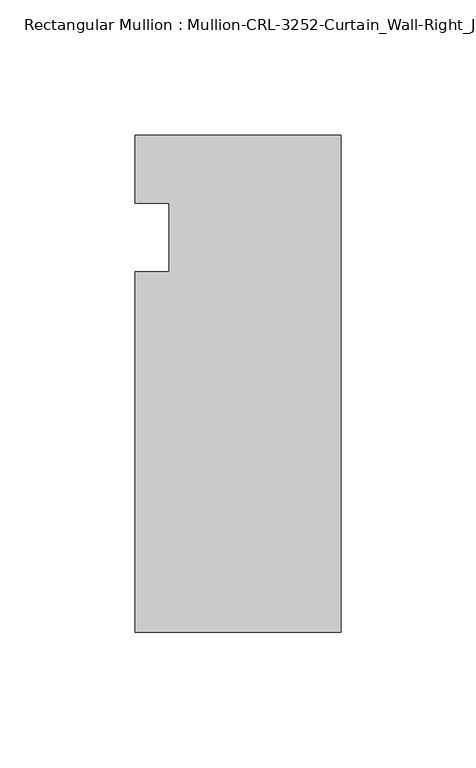
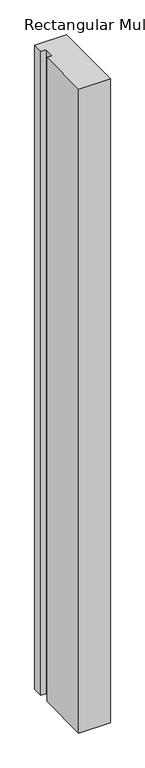
"""IFC4 building model written with IfcOpenShell, lengths in millimetres: member geometry, Rectangular Mullion : Mullion-CRL-3252-Curtain_Wall-Right_Jamb."""

from ifc_helpers import new_model, si_unit, frame, origin, place, context, project, spatial, polyline, outline, extrude, source, transform, mapped, element, save


def rectangular_mullion_mullion_crl_3252_curtain_wall_right_jamb_9f2dd8a9(model_context):
    return source(origin(), model_context, "Body", "SweptSolid", [
        extrude(outline(polyline([(0.0, -146.0054758), (-76.1947014, -146.0054758), (-76.1947014, -12.7), (-63.5026672, -12.7), (-63.5026672, 12.7), (-76.1947014, 12.7), (-76.1947014, 37.8626457), (0.0, 37.8626457), (0.0, -146.0054758)])), frame((0.0, 0.0, -1642.0703125), z_axis=(0.0, 0.0, 1.0), x_axis=(1.0, 0.0, 0.0)), (0.0, 0.0, 1.0), 1642.0703125),
    ])


if __name__ == "__main__":
    model = new_model("IFC4")
    model_context = context("Model", 3, world=origin())
    ifc_project = project(units=[si_unit("LENGTHUNIT", "METRE", prefix="MILLI")], contexts=[model_context])
    site = spatial("IfcSite", under=ifc_project)
    building = spatial("IfcBuilding", under=site)
    placement = place(None, origin())
    rectangular_mullion_mullion_crl_3252_curtain_wall_right_jamb_shape = rectangular_mullion_mullion_crl_3252_curtain_wall_right_jamb_9f2dd8a9(model_context)
    element("IfcMember", 1, ObjectType="Rectangular Mullion : Mullion-CRL-3252-Curtain_Wall-Right_Jamb", at=placement, inside=building, context=model_context, shape_type="MappedRepresentation", body=[
        mapped(rectangular_mullion_mullion_crl_3252_curtain_wall_right_jamb_shape, transform((0.0, 0.0, 0.0), x_axis=(1.0, 0.0, 0.0), y_axis=(0.0, 1.0, 0.0), z_axis=(0.0, 0.0, 1.0))),
    ])
    save(model, "model.ifc")
